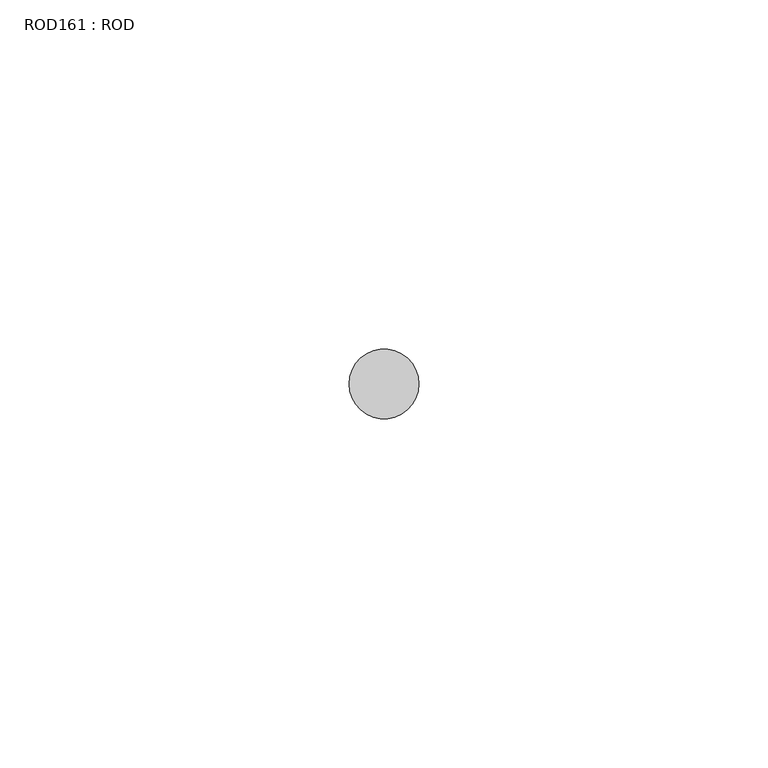
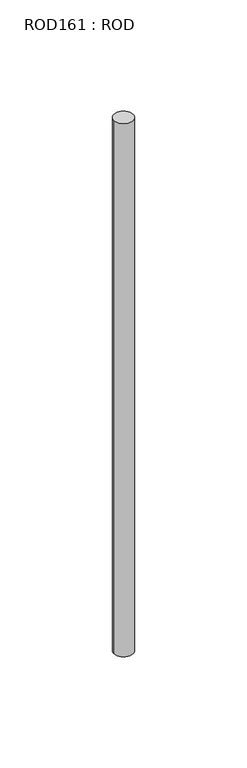
"""IFC4 building model written with IfcOpenShell, lengths in millimetres: proxy geometry, ROD161 : ROD."""

from ifc_helpers import new_model, si_unit, point, frame, frame_2d, origin, place, context, project, spatial, circle_curve, trimmed, segment, composite_curve, outline, extrude, source, transform, mapped, element, save


def rod161_rod_d213abf4(model_context):
    return source(origin(), model_context, "Body", "SweptSolid", [
        extrude(outline(composite_curve([segment(trimmed(circle_curve(frame_2d((-5000.2326676, -25842.0031575)), 5.0), [point((-5005.2326676, -25842.0031575))], [point((-4995.2326676, -25842.0031575))], False, "CARTESIAN"), True, "CONTINUOUS"), segment(trimmed(circle_curve(frame_2d((-5000.2326676, -25842.0031575)), 5.0), [point((-4995.2326676, -25842.0031575))], [point((-5005.2326676, -25842.0031575))], False, "CARTESIAN"), True, "CONTINUOUS")], self_intersect=False)), frame((0.0, 0.0, 166.3391155), z_axis=(0.0, 0.0, 1.0), x_axis=(1.0, 0.0, 0.0)), (0.0, 0.0, 1.0), 298.9028972),
    ])


if __name__ == "__main__":
    model = new_model("IFC4")
    model_context = context("Model", 3, world=origin())
    ifc_project = project(units=[si_unit("LENGTHUNIT", "METRE", prefix="MILLI")], contexts=[model_context])
    site = spatial("IfcSite", under=ifc_project)
    building = spatial("IfcBuilding", under=site)
    placement = place(None, origin())
    rod161_rod_shape = rod161_rod_d213abf4(model_context)
    element("IfcBuildingElementProxy", 1, Name="ROD161 : ROD", ObjectType="ROD161 : ROD", at=placement, inside=building, context=model_context, shape_type="MappedRepresentation", body=[
        mapped(rod161_rod_shape, transform((0.0, 0.0, 0.0), x_axis=(1.0, 0.0, 0.0), y_axis=(0.0, 1.0, 0.0), z_axis=(0.0, 0.0, 1.0))),
    ])
    save(model, "model.ifc")
